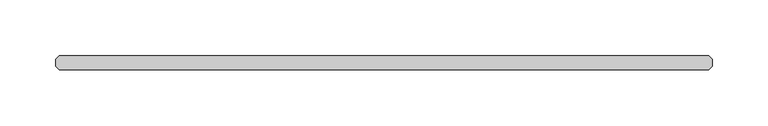
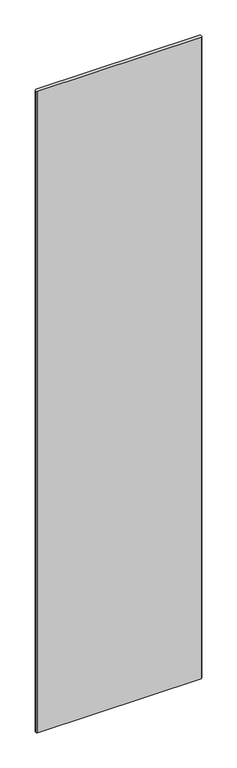
"""IFC4 building model written with IfcOpenShell, lengths in millimetres: plate geometry."""

from ifc_helpers import new_model, si_unit, origin, origin_with_axes, place, context, project, spatial, polyline, outline, extrude, source, transform, mapped, element, save


def plate_0529bcf1(model_context):
    return source(origin(), model_context, "Body", "SweptSolid", [
        extrude(outline(polyline([(292.496875, 36.5125), (295.671875, 33.3375), (295.671875, 26.9875), (292.496875, 23.8125), (-292.496875, 23.8125), (-295.671875, 26.9875), (-295.671875, 33.3375), (-292.496875, 36.5125), (292.496875, 36.5125)])), origin_with_axes(), (0.0, 0.0, 1.0), 2428.7789267),
    ])


if __name__ == "__main__":
    model = new_model("IFC4")
    model_context = context("Model", 3, world=origin())
    ifc_project = project(units=[si_unit("LENGTHUNIT", "METRE", prefix="MILLI")], contexts=[model_context])
    site = spatial("IfcSite", under=ifc_project)
    building = spatial("IfcBuilding", under=site)
    placement = place(None, origin())
    plate_shape = plate_0529bcf1(model_context)
    element("IfcPlate", 1, at=placement, inside=building, context=model_context, shape_type="MappedRepresentation", body=[
        mapped(plate_shape, transform((0.0, 0.0, 0.0), x_axis=(1.0, 0.0, 0.0), y_axis=(0.0, 1.0, 0.0), z_axis=(0.0, 0.0, 1.0))),
    ])
    save(model, "model.ifc")
